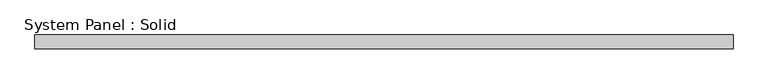
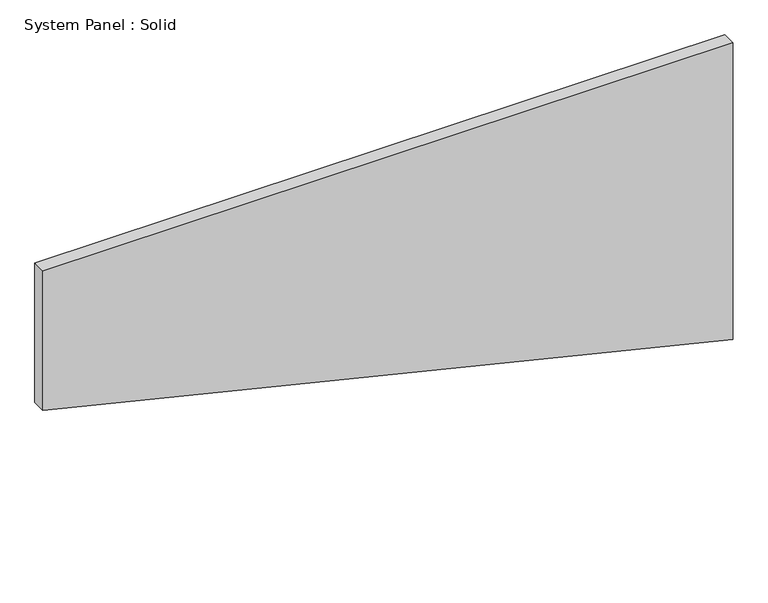
"""IFC4 building model written with IfcOpenShell, lengths in millimetres: plate geometry, System Panel : Solid."""

from ifc_helpers import new_model, si_unit, frame, origin, place, context, project, spatial, polyline, outline, extrude, source, transform, mapped, element, save


def system_panel_solid_e376771d(model_context):
    return source(origin(), model_context, "Body", "SweptSolid", [
        extrude(outline(polyline([(724.8500179, -1500.0), (0.0, 1500.0), (1365.0005586, 1500.0), (1365.0005586, -1500.0), (724.8500179, -1500.0)])), frame((0.0, -10.5, 0.0), z_axis=(0.0, 1.0, 0.0), x_axis=(0.0, 0.0, 1.0)), (0.0, 0.0, 1.0), 60.0),
    ])


if __name__ == "__main__":
    model = new_model("IFC4")
    model_context = context("Model", 3, world=origin())
    ifc_project = project(units=[si_unit("LENGTHUNIT", "METRE", prefix="MILLI")], contexts=[model_context])
    site = spatial("IfcSite", under=ifc_project)
    building = spatial("IfcBuilding", under=site)
    placement = place(None, origin())
    system_panel_solid_shape = system_panel_solid_e376771d(model_context)
    element("IfcPlate", 1, ObjectType="System Panel : Solid", at=placement, inside=building, context=model_context, shape_type="MappedRepresentation", body=[
        mapped(system_panel_solid_shape, transform((0.0, 0.0, 0.0), x_axis=(1.0, 0.0, 0.0), y_axis=(0.0, 1.0, 0.0), z_axis=(0.0, 0.0, 1.0))),
    ])
    save(model, "model.ifc")
